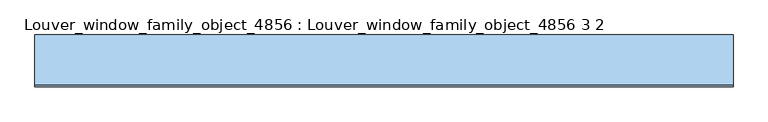
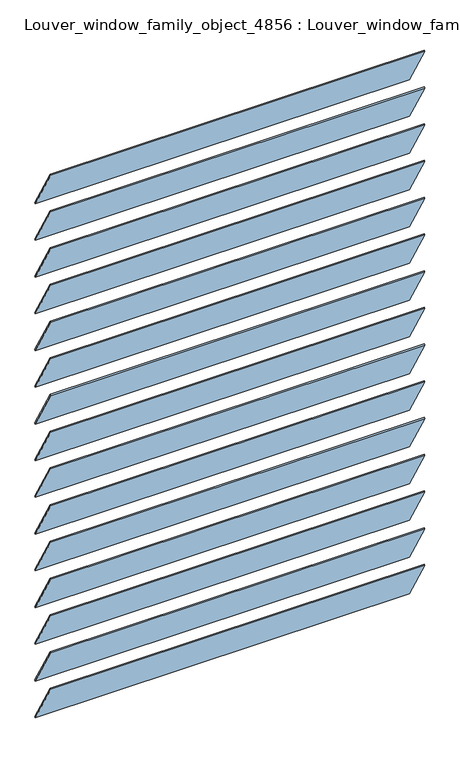
"""IFC4 building model written with IfcOpenShell, lengths in millimetres: window geometry, Louver_window_family_object_4856 : Louver_window_family_object_4856 3 2."""

import ifcopenshell
import ifcopenshell.guid

model = None  # the IFC model being written
_history = None  # IfcOwnerHistory: only IFC2X3 demands one
_inside = {}  # id of a spatial element -> (the spatial element, [elements in it])
_under = {}  # id of a project, library or spatial element -> (it, [spatial elements below it])
_declared = {}  # id of a project -> (the project, [libraries it declares])
_typed = {}  # id of a type object -> (the type object, [elements of that type])
_made_of = {}  # id of a material, layer set ... -> (it, [elements and type objects made of it])


def new_model(schema):
    """Start an empty IFC model of exactly this schema.

    Asked for "IFC4X3", IfcOpenShell would pick the latest addendum, in which some entities
    have other attributes; the version numbers below select the first issue.
    IFC2X3 requires an IfcOwnerHistory on every rooted entity: one is made here for all.
    """
    global model, _history
    if schema == "IFC4X3":
        model = ifcopenshell.file(schema_version=(4, 3, 0, 0))
    else:
        model = ifcopenshell.file(schema=schema)
    _inside.clear()
    _under.clear()
    _declared.clear()
    _typed.clear()
    _made_of.clear()
    _history = None
    if model.schema == "IFC2X3":
        org = make("IfcOrganization", Name="unknown")
        user = make(
            "IfcPersonAndOrganization",
            ThePerson=make("IfcPerson", FamilyName="unknown"),
            TheOrganization=org,
        )
        app = make(
            "IfcApplication",
            ApplicationDeveloper=org,
            Version="unknown",
            ApplicationFullName="unknown",
            ApplicationIdentifier="unknown",
        )
        _history = make(
            "IfcOwnerHistory",
            OwningUser=user,
            OwningApplication=app,
            ChangeAction="ADDED",
            CreationDate=0,
        )
    return model


def make(cls, **values):
    """One entity of the class cls with the attributes given. An attribute that is None is left unset."""
    return model.create_entity(
        cls, **{name: value for name, value in values.items() if value is not None}
    )


def rooted(cls, **values):
    """An entity with a GlobalId (a new one), such as an element, a storey or a relation."""
    return make(cls, GlobalId=ifcopenshell.guid.new(), OwnerHistory=_history, **values)


def si_unit(unit_type, name, prefix=None):
    """IfcSIUnit, for example si_unit("LENGTHUNIT", "METRE", prefix="MILLI")."""
    return make("IfcSIUnit", UnitType=unit_type, Prefix=prefix, Name=name)


def assignment(units):
    """IfcUnitAssignment: the units of a project."""
    return None if units is None else make("IfcUnitAssignment", Units=units)


def point(xyz):
    """IfcCartesianPoint."""
    return None if xyz is None else make("IfcCartesianPoint", Coordinates=xyz)


def direction(xyz):
    """IfcDirection."""
    return None if xyz is None else make("IfcDirection", DirectionRatios=xyz)


def frame(location, z_axis=None, x_axis=None):
    """IfcAxis2Placement3D, a coordinate frame: its origin and axes. An axis left out is left unset."""
    return make(
        "IfcAxis2Placement3D",
        Location=point(location),
        Axis=direction(z_axis),
        RefDirection=direction(x_axis),
    )


def frame_2d(location, x_axis=None):
    """IfcAxis2Placement2D, a coordinate frame in the plane: its origin and x axis."""
    return make(
        "IfcAxis2Placement2D", Location=point(location), RefDirection=direction(x_axis)
    )


def origin():
    """The frame at (0, 0, 0) with its axes left unset."""
    return frame((0.0, 0.0, 0.0))


def place(relative_to, where):
    """IfcLocalPlacement: puts the frame where relative to a parent placement (None: the world)."""
    return make(
        "IfcLocalPlacement", PlacementRelTo=relative_to, RelativePlacement=where
    )


def context(
    kind, dimensions, precision=None, world=None, true_north=None, identifier=None
):
    """IfcGeometricRepresentationContext, for example the 3D "Model" context."""
    return make(
        "IfcGeometricRepresentationContext",
        ContextIdentifier=identifier,
        ContextType=kind,
        CoordinateSpaceDimension=dimensions,
        Precision=precision,
        WorldCoordinateSystem=world,
        TrueNorth=true_north,
    )


def project(units=None, contexts=None):
    """IfcProject with its units and contexts."""
    return rooted(
        "IfcProject",
        Name="project",
        RepresentationContexts=contexts,
        UnitsInContext=assignment(units),
    )


def spatial(cls, under=None, at=None, **own):
    """A site, building, storey or space (cls), placed at a placement, below another one or the project."""
    s = rooted(cls, ObjectPlacement=at, **own)
    if under is not None:
        _under.setdefault(under.id(), (under, []))[1].append(s)
    return s


def polyline(points):
    """IfcPolyline through the points."""
    return make("IfcPolyline", Points=[point(p) for p in points])


def circle_curve(where, radius):
    """IfcCircle in the frame where."""
    return make("IfcCircle", Position=where, Radius=radius)


def trimmed(basis, trim1, trim2, sense, master):
    """IfcTrimmedCurve: the piece of a basis curve between two trims."""
    return make(
        "IfcTrimmedCurve",
        BasisCurve=basis,
        Trim1=trim1,
        Trim2=trim2,
        SenseAgreement=sense,
        MasterRepresentation=master,
    )


def segment(curve, same_sense, transition):
    """IfcCompositeCurveSegment."""
    return make(
        "IfcCompositeCurveSegment",
        Transition=transition,
        SameSense=same_sense,
        ParentCurve=curve,
    )


def composite_curve(segments, self_intersect=None):
    """IfcCompositeCurve: segments joined end to end."""
    return make("IfcCompositeCurve", Segments=segments, SelfIntersect=self_intersect)


def outline(outer, holes=None, kind="AREA"):
    """IfcArbitraryClosedProfileDef: a profile drawn as a closed curve; with holes, ...WithVoids."""
    if holes is None:
        return make("IfcArbitraryClosedProfileDef", ProfileType=kind, OuterCurve=outer)
    return make(
        "IfcArbitraryProfileDefWithVoids",
        ProfileType=kind,
        OuterCurve=outer,
        InnerCurves=holes,
    )


def extrude(swept, where, along, depth):
    """IfcExtrudedAreaSolid: the profile swept, set in the frame where, extruded along a direction by depth."""
    return make(
        "IfcExtrudedAreaSolid",
        SweptArea=swept,
        Position=where,
        ExtrudedDirection=direction(along),
        Depth=depth,
    )


def shape(context_of_items, identifier, shape_type, items):
    """IfcShapeRepresentation: the items that make up one representation, for example the "Body"."""
    return make(
        "IfcShapeRepresentation",
        ContextOfItems=context_of_items,
        RepresentationIdentifier=identifier,
        RepresentationType=shape_type,
        Items=items,
    )


def source(mapping_origin, context_of_items, identifier, shape_type, items):
    """IfcRepresentationMap: a shape defined once, which mapped items show again and again."""
    return make(
        "IfcRepresentationMap",
        MappingOrigin=mapping_origin,
        MappedRepresentation=shape(context_of_items, identifier, shape_type, items),
    )


def transform(
    local_origin,
    x_axis=None,
    y_axis=None,
    z_axis=None,
    scale=None,
    scale2=None,
    scale3=None,
    uniform=True,
):
    """IfcCartesianTransformationOperator3D, or its non-uniform kind. x_axis, y_axis, z_axis: its Axis1, 2, 3."""
    if uniform:
        return make(
            "IfcCartesianTransformationOperator3D",
            Axis1=direction(x_axis),
            Axis2=direction(y_axis),
            LocalOrigin=point(local_origin),
            Scale=scale,
            Axis3=direction(z_axis),
        )
    return make(
        "IfcCartesianTransformationOperator3DnonUniform",
        Axis1=direction(x_axis),
        Axis2=direction(y_axis),
        LocalOrigin=point(local_origin),
        Scale=scale,
        Axis3=direction(z_axis),
        Scale2=scale2,
        Scale3=scale3,
    )


def mapped(mapping_source, mapping_target):
    """IfcMappedItem: shows the shape of a source again, moved by a transform."""
    return make(
        "IfcMappedItem", MappingSource=mapping_source, MappingTarget=mapping_target
    )


def made_of(thing, what):
    """Note that an element or type object is made of a material, layer set ...; save() writes the relation."""
    if what is not None:
        _made_of.setdefault(what.id(), (what, []))[1].append(thing)
    return thing


def element(
    cls,
    number,
    at=None,
    inside=None,
    cuts=None,
    type_object=None,
    material=None,
    context=None,
    identifier="Body",
    shape_type=None,
    held_by="IfcProductDefinitionShape",
    body=None,
    shapes=None,
    **own,
):
    """One element of the class cls, such as IfcWall. Its Tag is "e" and its number.

    at: its placement. inside: the storey or other place that contains it. cuts: it is an
    opening in that element (IfcRelVoidsElement). A single representation is given by context,
    identifier, shape_type and body (its items); several are given by shapes. held_by: the class
    of the entity that holds the representations. save() writes the other relations.
    """
    e = rooted(cls, Tag="e%d" % number, ObjectPlacement=at, **own)
    if body is not None:
        shapes = [shape(context, identifier, shape_type, body)]
    if shapes is not None:
        e.Representation = make(held_by, Representations=shapes)
    if inside is not None:
        _inside.setdefault(inside.id(), (inside, []))[1].append(e)
    if cuts is not None:
        rooted(
            "IfcRelVoidsElement", RelatingBuildingElement=cuts, RelatedOpeningElement=e
        )
    if type_object is not None:
        _typed.setdefault(type_object.id(), (type_object, []))[1].append(e)
    return made_of(e, material)


def aggregate(whole, parts):
    """IfcRelAggregates: a whole, such as a stair, and the parts it consists of."""
    return rooted("IfcRelAggregates", RelatingObject=whole, RelatedObjects=parts)


def save(model, path):
    """Write the relations noted so far, then the file.

    IfcRelAggregates (storeys below a building ...), IfcRelContainedInSpatialStructure (elements
    in a storey), IfcRelDefinesByType, IfcRelAssociatesMaterial and IfcRelDeclares: one each for
    every whole, place, type object, material and project.
    """
    for whole, parts in _under.values():
        aggregate(whole, parts)
    for where, things in _inside.values():
        rooted(
            "IfcRelContainedInSpatialStructure",
            RelatedElements=things,
            RelatingStructure=where,
        )
    for kind, things in _typed.values():
        rooted("IfcRelDefinesByType", RelatedObjects=things, RelatingType=kind)
    for what, things in _made_of.values():
        rooted("IfcRelAssociatesMaterial", RelatedObjects=things, RelatingMaterial=what)
    for by, libraries in _declared.values():
        rooted("IfcRelDeclares", RelatingContext=by, RelatedDefinitions=libraries)
    model.write(path)


def louver_window_family_object_4856_louver_window_family_object_097dd4de(model_context):
    return source(origin(), model_context, "Body", "SweptSolid", [
        extrude(outline(composite_curve([segment(trimmed(circle_curve(frame_2d((0.0, 2734.1285714)), 76.2), [point((-39.4665462, 2799.3116346))], [point((-36.7169155, 2800.8991346))], False, "CARTESIAN"), True, "CONTINUOUS"), segment(polyline([(-36.7169155, 2800.8991346), (39.4665462, 2668.9455082)]), True, "CONTINUOUS"), segment(trimmed(circle_curve(frame_2d((0.0, 2734.1285714)), 76.2), [point((39.4665462, 2668.9455082))], [point((36.7169155, 2667.3580082))], False, "CARTESIAN"), True, "CONTINUOUS"), segment(polyline([(36.7169155, 2667.3580082), (-39.4665462, 2799.3116346)]), True, "CONTINUOUS")], self_intersect=False)), frame((-533.4, 0.0, 0.0), z_axis=(1.0, 0.0, 0.0), x_axis=(0.0, 1.0, 0.0)), (0.0, 0.0, 1.0), 1066.8),
        extrude(outline(composite_curve([segment(trimmed(circle_curve(frame_2d((0.0, 2623.4571429)), 76.2), [point((-39.4665462, 2688.6402061))], [point((-36.7169155, 2690.2277061))], False, "CARTESIAN"), True, "CONTINUOUS"), segment(polyline([(-36.7169155, 2690.2277061), (39.4665462, 2558.2740796)]), True, "CONTINUOUS"), segment(trimmed(circle_curve(frame_2d((0.0, 2623.4571429)), 76.2), [point((39.4665462, 2558.2740796))], [point((36.7169155, 2556.6865796))], False, "CARTESIAN"), True, "CONTINUOUS"), segment(polyline([(36.7169155, 2556.6865796), (-39.4665462, 2688.6402061)]), True, "CONTINUOUS")], self_intersect=False)), frame((-533.4, 0.0, 0.0), z_axis=(1.0, 0.0, 0.0), x_axis=(0.0, 1.0, 0.0)), (0.0, 0.0, 1.0), 1066.8),
        extrude(outline(composite_curve([segment(trimmed(circle_curve(frame_2d((0.0, 2512.7857143)), 76.2), [point((-39.4665462, 2577.9687775))], [point((-36.7169155, 2579.5562775))], False, "CARTESIAN"), True, "CONTINUOUS"), segment(polyline([(-36.7169155, 2579.5562775), (39.4665462, 2447.6026511)]), True, "CONTINUOUS"), segment(trimmed(circle_curve(frame_2d((0.0, 2512.7857143)), 76.2), [point((39.4665462, 2447.6026511))], [point((36.7169155, 2446.0151511))], False, "CARTESIAN"), True, "CONTINUOUS"), segment(polyline([(36.7169155, 2446.0151511), (-39.4665462, 2577.9687775)]), True, "CONTINUOUS")], self_intersect=False)), frame((-533.4, 0.0, 0.0), z_axis=(1.0, 0.0, 0.0), x_axis=(0.0, 1.0, 0.0)), (0.0, 0.0, 1.0), 1066.8),
        extrude(outline(composite_curve([segment(trimmed(circle_curve(frame_2d((0.0, 2402.1142857)), 76.2), [point((-39.4665462, 2467.2973489))], [point((-36.7169155, 2468.8848489))], False, "CARTESIAN"), True, "CONTINUOUS"), segment(polyline([(-36.7169155, 2468.8848489), (39.4665462, 2336.9312225)]), True, "CONTINUOUS"), segment(trimmed(circle_curve(frame_2d((0.0, 2402.1142857)), 76.2), [point((39.4665462, 2336.9312225))], [point((36.7169155, 2335.3437225))], False, "CARTESIAN"), True, "CONTINUOUS"), segment(polyline([(36.7169155, 2335.3437225), (-39.4665462, 2467.2973489)]), True, "CONTINUOUS")], self_intersect=False)), frame((-533.4, 0.0, 0.0), z_axis=(1.0, 0.0, 0.0), x_axis=(0.0, 1.0, 0.0)), (0.0, 0.0, 1.0), 1066.8),
        extrude(outline(composite_curve([segment(trimmed(circle_curve(frame_2d((0.0, 2291.4428571)), 76.2), [point((-39.4665462, 2356.6259204))], [point((-36.7169155, 2358.2134204))], False, "CARTESIAN"), True, "CONTINUOUS"), segment(polyline([(-36.7169155, 2358.2134204), (39.4665462, 2226.2597939)]), True, "CONTINUOUS"), segment(trimmed(circle_curve(frame_2d((0.0, 2291.4428571)), 76.2), [point((39.4665462, 2226.2597939))], [point((36.7169155, 2224.6722939))], False, "CARTESIAN"), True, "CONTINUOUS"), segment(polyline([(36.7169155, 2224.6722939), (-39.4665462, 2356.6259204)]), True, "CONTINUOUS")], self_intersect=False)), frame((-533.4, 0.0, 0.0), z_axis=(1.0, 0.0, 0.0), x_axis=(0.0, 1.0, 0.0)), (0.0, 0.0, 1.0), 1066.8),
        extrude(outline(composite_curve([segment(trimmed(circle_curve(frame_2d((0.0, 2180.7714286)), 76.2), [point((-39.4665462, 2245.9544918))], [point((-36.7169155, 2247.5419918))], False, "CARTESIAN"), True, "CONTINUOUS"), segment(polyline([(-36.7169155, 2247.5419918), (39.4665462, 2115.5883654)]), True, "CONTINUOUS"), segment(trimmed(circle_curve(frame_2d((0.0, 2180.7714286)), 76.2), [point((39.4665462, 2115.5883654))], [point((36.7169155, 2114.0008654))], False, "CARTESIAN"), True, "CONTINUOUS"), segment(polyline([(36.7169155, 2114.0008654), (-39.4665462, 2245.9544918)]), True, "CONTINUOUS")], self_intersect=False)), frame((-533.4, 0.0, 0.0), z_axis=(1.0, 0.0, 0.0), x_axis=(0.0, 1.0, 0.0)), (0.0, 0.0, 1.0), 1066.8),
        extrude(outline(composite_curve([segment(trimmed(circle_curve(frame_2d((0.0, 2070.1)), 76.2), [point((-39.4665462, 2135.2830632))], [point((-36.7169155, 2136.8705632))], False, "CARTESIAN"), True, "CONTINUOUS"), segment(polyline([(-36.7169155, 2136.8705632), (39.4665462, 2004.9169368)]), True, "CONTINUOUS"), segment(trimmed(circle_curve(frame_2d((0.0, 2070.1)), 76.2), [point((39.4665462, 2004.9169368))], [point((36.7169155, 2003.3294368))], False, "CARTESIAN"), True, "CONTINUOUS"), segment(polyline([(36.7169155, 2003.3294368), (-39.4665462, 2135.2830632)]), True, "CONTINUOUS")], self_intersect=False)), frame((-533.4, 0.0, 0.0), z_axis=(1.0, 0.0, 0.0), x_axis=(0.0, 1.0, 0.0)), (0.0, 0.0, 1.0), 1066.8),
        extrude(outline(composite_curve([segment(trimmed(circle_curve(frame_2d((0.0, 1959.4285714)), 76.2), [point((-39.4665462, 2024.6116346))], [point((-36.7169155, 2026.1991346))], False, "CARTESIAN"), True, "CONTINUOUS"), segment(polyline([(-36.7169155, 2026.1991346), (39.4665462, 1894.2455082)]), True, "CONTINUOUS"), segment(trimmed(circle_curve(frame_2d((0.0, 1959.4285714)), 76.2), [point((39.4665462, 1894.2455082))], [point((36.7169155, 1892.6580082))], False, "CARTESIAN"), True, "CONTINUOUS"), segment(polyline([(36.7169155, 1892.6580082), (-39.4665462, 2024.6116346)]), True, "CONTINUOUS")], self_intersect=False)), frame((-533.4, 0.0, 0.0), z_axis=(1.0, 0.0, 0.0), x_axis=(0.0, 1.0, 0.0)), (0.0, 0.0, 1.0), 1066.8),
        extrude(outline(composite_curve([segment(trimmed(circle_curve(frame_2d((0.0, 1848.7571429)), 76.2), [point((-39.4665462, 1913.9402061))], [point((-36.7169155, 1915.5277061))], False, "CARTESIAN"), True, "CONTINUOUS"), segment(polyline([(-36.7169155, 1915.5277061), (39.4665462, 1783.5740796)]), True, "CONTINUOUS"), segment(trimmed(circle_curve(frame_2d((0.0, 1848.7571429)), 76.2), [point((39.4665462, 1783.5740796))], [point((36.7169155, 1781.9865796))], False, "CARTESIAN"), True, "CONTINUOUS"), segment(polyline([(36.7169155, 1781.9865796), (-39.4665462, 1913.9402061)]), True, "CONTINUOUS")], self_intersect=False)), frame((-533.4, 0.0, 0.0), z_axis=(1.0, 0.0, 0.0), x_axis=(0.0, 1.0, 0.0)), (0.0, 0.0, 1.0), 1066.8),
        extrude(outline(composite_curve([segment(trimmed(circle_curve(frame_2d((0.0, 1738.0857143)), 76.2), [point((-39.4665462, 1803.2687775))], [point((-36.7169155, 1804.8562775))], False, "CARTESIAN"), True, "CONTINUOUS"), segment(polyline([(-36.7169155, 1804.8562775), (39.4665462, 1672.9026511)]), True, "CONTINUOUS"), segment(trimmed(circle_curve(frame_2d((0.0, 1738.0857143)), 76.2), [point((39.4665462, 1672.9026511))], [point((36.7169155, 1671.3151511))], False, "CARTESIAN"), True, "CONTINUOUS"), segment(polyline([(36.7169155, 1671.3151511), (-39.4665462, 1803.2687775)]), True, "CONTINUOUS")], self_intersect=False)), frame((-533.4, 0.0, 0.0), z_axis=(1.0, 0.0, 0.0), x_axis=(0.0, 1.0, 0.0)), (0.0, 0.0, 1.0), 1066.8),
        extrude(outline(composite_curve([segment(trimmed(circle_curve(frame_2d((0.0, 1627.4142857)), 76.2), [point((-39.4665462, 1692.5973489))], [point((-36.7169155, 1694.1848489))], False, "CARTESIAN"), True, "CONTINUOUS"), segment(polyline([(-36.7169155, 1694.1848489), (39.4665462, 1562.2312225)]), True, "CONTINUOUS"), segment(trimmed(circle_curve(frame_2d((0.0, 1627.4142857)), 76.2), [point((39.4665462, 1562.2312225))], [point((36.7169155, 1560.6437225))], False, "CARTESIAN"), True, "CONTINUOUS"), segment(polyline([(36.7169155, 1560.6437225), (-39.4665462, 1692.5973489)]), True, "CONTINUOUS")], self_intersect=False)), frame((-533.4, 0.0, 0.0), z_axis=(1.0, 0.0, 0.0), x_axis=(0.0, 1.0, 0.0)), (0.0, 0.0, 1.0), 1066.8),
        extrude(outline(composite_curve([segment(trimmed(circle_curve(frame_2d((0.0, 1516.7428571)), 76.2), [point((-39.4665462, 1581.9259204))], [point((-36.7169155, 1583.5134204))], False, "CARTESIAN"), True, "CONTINUOUS"), segment(polyline([(-36.7169155, 1583.5134204), (39.4665462, 1451.5597939)]), True, "CONTINUOUS"), segment(trimmed(circle_curve(frame_2d((0.0, 1516.7428571)), 76.2), [point((39.4665462, 1451.5597939))], [point((36.7169155, 1449.9722939))], False, "CARTESIAN"), True, "CONTINUOUS"), segment(polyline([(36.7169155, 1449.9722939), (-39.4665462, 1581.9259204)]), True, "CONTINUOUS")], self_intersect=False)), frame((-533.4, 0.0, 0.0), z_axis=(1.0, 0.0, 0.0), x_axis=(0.0, 1.0, 0.0)), (0.0, 0.0, 1.0), 1066.8),
        extrude(outline(composite_curve([segment(trimmed(circle_curve(frame_2d((0.0, 1406.0714286)), 76.2), [point((-39.4665462, 1471.2544918))], [point((-36.7169155, 1472.8419918))], False, "CARTESIAN"), True, "CONTINUOUS"), segment(polyline([(-36.7169155, 1472.8419918), (39.4665462, 1340.8883654)]), True, "CONTINUOUS"), segment(trimmed(circle_curve(frame_2d((0.0, 1406.0714286)), 76.2), [point((39.4665462, 1340.8883654))], [point((36.7169155, 1339.3008654))], False, "CARTESIAN"), True, "CONTINUOUS"), segment(polyline([(36.7169155, 1339.3008654), (-39.4665462, 1471.2544918)]), True, "CONTINUOUS")], self_intersect=False)), frame((-533.4, 0.0, 0.0), z_axis=(1.0, 0.0, 0.0), x_axis=(0.0, 1.0, 0.0)), (0.0, 0.0, 1.0), 1066.8),
        extrude(outline(composite_curve([segment(trimmed(circle_curve(frame_2d((0.0, 2844.8)), 76.2), [point((-39.4665462, 2909.9830632))], [point((-36.7169155, 2911.5705632))], False, "CARTESIAN"), True, "CONTINUOUS"), segment(polyline([(-36.7169155, 2911.5705632), (39.4665462, 2779.6169368)]), True, "CONTINUOUS"), segment(trimmed(circle_curve(frame_2d((0.0, 2844.8)), 76.2), [point((39.4665462, 2779.6169368))], [point((36.7169155, 2778.0294368))], False, "CARTESIAN"), True, "CONTINUOUS"), segment(polyline([(36.7169155, 2778.0294368), (-39.4665462, 2909.9830632)]), True, "CONTINUOUS")], self_intersect=False)), frame((-533.4, 0.0, 0.0), z_axis=(1.0, 0.0, 0.0), x_axis=(0.0, 1.0, 0.0)), (0.0, 0.0, 1.0), 1066.8),
        extrude(outline(composite_curve([segment(trimmed(circle_curve(frame_2d((0.0, 1295.4)), 76.2), [point((-39.4665462, 1360.5830632))], [point((-36.7169155, 1362.1705632))], False, "CARTESIAN"), True, "CONTINUOUS"), segment(polyline([(-36.7169155, 1362.1705632), (39.4665462, 1230.2169368)]), True, "CONTINUOUS"), segment(trimmed(circle_curve(frame_2d((0.0, 1295.4)), 76.2), [point((39.4665462, 1230.2169368))], [point((36.7169155, 1228.6294368))], False, "CARTESIAN"), True, "CONTINUOUS"), segment(polyline([(36.7169155, 1228.6294368), (-39.4665462, 1360.5830632)]), True, "CONTINUOUS")], self_intersect=False)), frame((-533.4, 0.0, 0.0), z_axis=(1.0, 0.0, 0.0), x_axis=(0.0, 1.0, 0.0)), (0.0, 0.0, 1.0), 1066.8),
    ])


if __name__ == "__main__":
    model = new_model("IFC4")
    model_context = context("Model", 3, world=origin())
    ifc_project = project(units=[si_unit("LENGTHUNIT", "METRE", prefix="MILLI")], contexts=[model_context])
    site = spatial("IfcSite", under=ifc_project)
    building = spatial("IfcBuilding", under=site)
    placement = place(None, origin())
    louver_window_family_object_4856_louver_window_family_object_shape = louver_window_family_object_4856_louver_window_family_object_097dd4de(model_context)
    element("IfcWindow", 1, ObjectType="Louver_window_family_object_4856 : Louver_window_family_object_4856 3 2", at=placement, inside=building, context=model_context, shape_type="MappedRepresentation", body=[
        mapped(louver_window_family_object_4856_louver_window_family_object_shape, transform((0.0, 0.0, 0.0), x_axis=(1.0, 0.0, 0.0), y_axis=(0.0, 1.0, 0.0), z_axis=(0.0, 0.0, 1.0))),
    ])
    save(model, "model.ifc")
